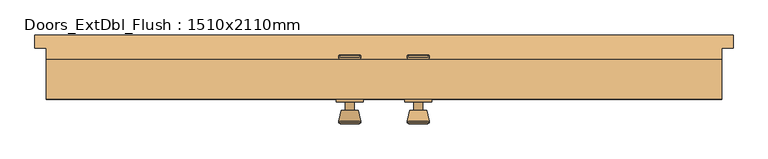
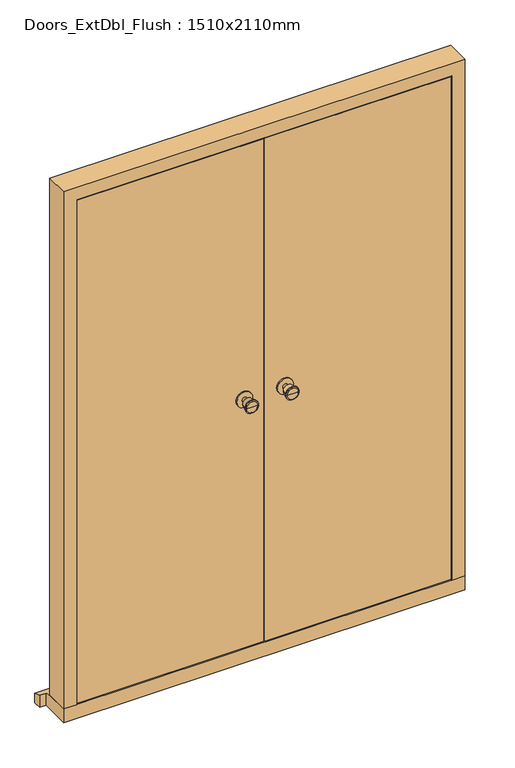
"""IFC4 building model written with IfcOpenShell, lengths in millimetres: door geometry, Doors_ExtDbl_Flush : 1510x2110mm."""

import ifcopenshell
import ifcopenshell.guid

model = None  # the IFC model being written
_history = None  # IfcOwnerHistory: only IFC2X3 demands one
_inside = {}  # id of a spatial element -> (the spatial element, [elements in it])
_under = {}  # id of a project, library or spatial element -> (it, [spatial elements below it])
_declared = {}  # id of a project -> (the project, [libraries it declares])
_typed = {}  # id of a type object -> (the type object, [elements of that type])
_made_of = {}  # id of a material, layer set ... -> (it, [elements and type objects made of it])


def new_model(schema):
    """Start an empty IFC model of exactly this schema.

    Asked for "IFC4X3", IfcOpenShell would pick the latest addendum, in which some entities
    have other attributes; the version numbers below select the first issue.
    IFC2X3 requires an IfcOwnerHistory on every rooted entity: one is made here for all.
    """
    global model, _history
    if schema == "IFC4X3":
        model = ifcopenshell.file(schema_version=(4, 3, 0, 0))
    else:
        model = ifcopenshell.file(schema=schema)
    _inside.clear()
    _under.clear()
    _declared.clear()
    _typed.clear()
    _made_of.clear()
    _history = None
    if model.schema == "IFC2X3":
        org = make("IfcOrganization", Name="unknown")
        user = make(
            "IfcPersonAndOrganization",
            ThePerson=make("IfcPerson", FamilyName="unknown"),
            TheOrganization=org,
        )
        app = make(
            "IfcApplication",
            ApplicationDeveloper=org,
            Version="unknown",
            ApplicationFullName="unknown",
            ApplicationIdentifier="unknown",
        )
        _history = make(
            "IfcOwnerHistory",
            OwningUser=user,
            OwningApplication=app,
            ChangeAction="ADDED",
            CreationDate=0,
        )
    return model


def make(cls, **values):
    """One entity of the class cls with the attributes given. An attribute that is None is left unset."""
    return model.create_entity(
        cls, **{name: value for name, value in values.items() if value is not None}
    )


def rooted(cls, **values):
    """An entity with a GlobalId (a new one), such as an element, a storey or a relation."""
    return make(cls, GlobalId=ifcopenshell.guid.new(), OwnerHistory=_history, **values)


def si_unit(unit_type, name, prefix=None):
    """IfcSIUnit, for example si_unit("LENGTHUNIT", "METRE", prefix="MILLI")."""
    return make("IfcSIUnit", UnitType=unit_type, Prefix=prefix, Name=name)


def assignment(units):
    """IfcUnitAssignment: the units of a project."""
    return None if units is None else make("IfcUnitAssignment", Units=units)


def point(xyz):
    """IfcCartesianPoint."""
    return None if xyz is None else make("IfcCartesianPoint", Coordinates=xyz)


def direction(xyz):
    """IfcDirection."""
    return None if xyz is None else make("IfcDirection", DirectionRatios=xyz)


def frame(location, z_axis=None, x_axis=None):
    """IfcAxis2Placement3D, a coordinate frame: its origin and axes. An axis left out is left unset."""
    return make(
        "IfcAxis2Placement3D",
        Location=point(location),
        Axis=direction(z_axis),
        RefDirection=direction(x_axis),
    )


def frame_2d(location, x_axis=None):
    """IfcAxis2Placement2D, a coordinate frame in the plane: its origin and x axis."""
    return make(
        "IfcAxis2Placement2D", Location=point(location), RefDirection=direction(x_axis)
    )


def origin():
    """The frame at (0, 0, 0) with its axes left unset."""
    return frame((0.0, 0.0, 0.0))


def place(relative_to, where):
    """IfcLocalPlacement: puts the frame where relative to a parent placement (None: the world)."""
    return make(
        "IfcLocalPlacement", PlacementRelTo=relative_to, RelativePlacement=where
    )


def context(
    kind, dimensions, precision=None, world=None, true_north=None, identifier=None
):
    """IfcGeometricRepresentationContext, for example the 3D "Model" context."""
    return make(
        "IfcGeometricRepresentationContext",
        ContextIdentifier=identifier,
        ContextType=kind,
        CoordinateSpaceDimension=dimensions,
        Precision=precision,
        WorldCoordinateSystem=world,
        TrueNorth=true_north,
    )


def project(units=None, contexts=None):
    """IfcProject with its units and contexts."""
    return rooted(
        "IfcProject",
        Name="project",
        RepresentationContexts=contexts,
        UnitsInContext=assignment(units),
    )


def spatial(cls, under=None, at=None, **own):
    """A site, building, storey or space (cls), placed at a placement, below another one or the project."""
    s = rooted(cls, ObjectPlacement=at, **own)
    if under is not None:
        _under.setdefault(under.id(), (under, []))[1].append(s)
    return s


def polyline(points):
    """IfcPolyline through the points."""
    return make("IfcPolyline", Points=[point(p) for p in points])


def circle_curve(where, radius):
    """IfcCircle in the frame where."""
    return make("IfcCircle", Position=where, Radius=radius)


def trimmed(basis, trim1, trim2, sense, master):
    """IfcTrimmedCurve: the piece of a basis curve between two trims."""
    return make(
        "IfcTrimmedCurve",
        BasisCurve=basis,
        Trim1=trim1,
        Trim2=trim2,
        SenseAgreement=sense,
        MasterRepresentation=master,
    )


def segment(curve, same_sense, transition):
    """IfcCompositeCurveSegment."""
    return make(
        "IfcCompositeCurveSegment",
        Transition=transition,
        SameSense=same_sense,
        ParentCurve=curve,
    )


def composite_curve(segments, self_intersect=None):
    """IfcCompositeCurve: segments joined end to end."""
    return make("IfcCompositeCurve", Segments=segments, SelfIntersect=self_intersect)


def outline(outer, holes=None, kind="AREA"):
    """IfcArbitraryClosedProfileDef: a profile drawn as a closed curve; with holes, ...WithVoids."""
    if holes is None:
        return make("IfcArbitraryClosedProfileDef", ProfileType=kind, OuterCurve=outer)
    return make(
        "IfcArbitraryProfileDefWithVoids",
        ProfileType=kind,
        OuterCurve=outer,
        InnerCurves=holes,
    )


def extrude(swept, where, along, depth):
    """IfcExtrudedAreaSolid: the profile swept, set in the frame where, extruded along a direction by depth."""
    return make(
        "IfcExtrudedAreaSolid",
        SweptArea=swept,
        Position=where,
        ExtrudedDirection=direction(along),
        Depth=depth,
    )


def faces_of(points, faces, orient=None, outer=None):
    """IfcFace entities. A face is a list of loops; a loop is a list of indices into points, from 0.

    orient and outer hold one flag for each loop. By default every Orientation is true, the
    first loop of a face is its IfcFaceOuterBound and the others are IfcFaceBound.
    """
    made = []
    for i, loops in enumerate(faces):
        bounds = []
        for j, loop in enumerate(loops):
            is_outer = j == 0 if outer is None else outer[i][j]
            bounds.append(
                make(
                    "IfcFaceOuterBound" if is_outer else "IfcFaceBound",
                    Bound=make("IfcPolyLoop", Polygon=[points[k] for k in loop]),
                    Orientation=True if orient is None else orient[i][j],
                )
            )
        made.append(make("IfcFace", Bounds=bounds))
    return made


def faceted_brep(points, faces, orient=None, outer=None, voids=None):
    """IfcFacetedBrep: a solid bounded by flat faces; with voids (closed shells), ...WithVoids."""
    shared = [point(p) for p in points]
    hull = make("IfcClosedShell", CfsFaces=faces_of(shared, faces, orient, outer))
    if voids is None:
        return make("IfcFacetedBrep", Outer=hull)
    return make(
        "IfcFacetedBrepWithVoids",
        Outer=hull,
        Voids=[
            make(cls, CfsFaces=faces_of(shared, fs, o, b)) for cls, fs, o, b in voids
        ],
    )


def shape(context_of_items, identifier, shape_type, items):
    """IfcShapeRepresentation: the items that make up one representation, for example the "Body"."""
    return make(
        "IfcShapeRepresentation",
        ContextOfItems=context_of_items,
        RepresentationIdentifier=identifier,
        RepresentationType=shape_type,
        Items=items,
    )


def source(mapping_origin, context_of_items, identifier, shape_type, items):
    """IfcRepresentationMap: a shape defined once, which mapped items show again and again."""
    return make(
        "IfcRepresentationMap",
        MappingOrigin=mapping_origin,
        MappedRepresentation=shape(context_of_items, identifier, shape_type, items),
    )


def transform(
    local_origin,
    x_axis=None,
    y_axis=None,
    z_axis=None,
    scale=None,
    scale2=None,
    scale3=None,
    uniform=True,
):
    """IfcCartesianTransformationOperator3D, or its non-uniform kind. x_axis, y_axis, z_axis: its Axis1, 2, 3."""
    if uniform:
        return make(
            "IfcCartesianTransformationOperator3D",
            Axis1=direction(x_axis),
            Axis2=direction(y_axis),
            LocalOrigin=point(local_origin),
            Scale=scale,
            Axis3=direction(z_axis),
        )
    return make(
        "IfcCartesianTransformationOperator3DnonUniform",
        Axis1=direction(x_axis),
        Axis2=direction(y_axis),
        LocalOrigin=point(local_origin),
        Scale=scale,
        Axis3=direction(z_axis),
        Scale2=scale2,
        Scale3=scale3,
    )


def mapped(mapping_source, mapping_target):
    """IfcMappedItem: shows the shape of a source again, moved by a transform."""
    return make(
        "IfcMappedItem", MappingSource=mapping_source, MappingTarget=mapping_target
    )


def made_of(thing, what):
    """Note that an element or type object is made of a material, layer set ...; save() writes the relation."""
    if what is not None:
        _made_of.setdefault(what.id(), (what, []))[1].append(thing)
    return thing


def element(
    cls,
    number,
    at=None,
    inside=None,
    cuts=None,
    type_object=None,
    material=None,
    context=None,
    identifier="Body",
    shape_type=None,
    held_by="IfcProductDefinitionShape",
    body=None,
    shapes=None,
    **own,
):
    """One element of the class cls, such as IfcWall. Its Tag is "e" and its number.

    at: its placement. inside: the storey or other place that contains it. cuts: it is an
    opening in that element (IfcRelVoidsElement). A single representation is given by context,
    identifier, shape_type and body (its items); several are given by shapes. held_by: the class
    of the entity that holds the representations. save() writes the other relations.
    """
    e = rooted(cls, Tag="e%d" % number, ObjectPlacement=at, **own)
    if body is not None:
        shapes = [shape(context, identifier, shape_type, body)]
    if shapes is not None:
        e.Representation = make(held_by, Representations=shapes)
    if inside is not None:
        _inside.setdefault(inside.id(), (inside, []))[1].append(e)
    if cuts is not None:
        rooted(
            "IfcRelVoidsElement", RelatingBuildingElement=cuts, RelatedOpeningElement=e
        )
    if type_object is not None:
        _typed.setdefault(type_object.id(), (type_object, []))[1].append(e)
    return made_of(e, material)


def aggregate(whole, parts):
    """IfcRelAggregates: a whole, such as a stair, and the parts it consists of."""
    return rooted("IfcRelAggregates", RelatingObject=whole, RelatedObjects=parts)


def save(model, path):
    """Write the relations noted so far, then the file.

    IfcRelAggregates (storeys below a building ...), IfcRelContainedInSpatialStructure (elements
    in a storey), IfcRelDefinesByType, IfcRelAssociatesMaterial and IfcRelDeclares: one each for
    every whole, place, type object, material and project.
    """
    for whole, parts in _under.values():
        aggregate(whole, parts)
    for where, things in _inside.values():
        rooted(
            "IfcRelContainedInSpatialStructure",
            RelatedElements=things,
            RelatingStructure=where,
        )
    for kind, things in _typed.values():
        rooted("IfcRelDefinesByType", RelatedObjects=things, RelatingType=kind)
    for what, things in _made_of.values():
        rooted("IfcRelAssociatesMaterial", RelatedObjects=things, RelatingMaterial=what)
    for by, libraries in _declared.values():
        rooted("IfcRelDeclares", RelatingContext=by, RelatedDefinitions=libraries)
    model.write(path)


def plane_surface(at):
    """IfcPlane: the flat surface through the origin of the frame at, square to its z axis."""
    return make("IfcPlane", Position=at)


def cylinder_surface(at, radius):
    """IfcCylindricalSurface: all points at the distance radius from the z axis of the frame at."""
    return make("IfcCylindricalSurface", Position=at, Radius=radius)


def revolved_surface(curve, axis_point, axis_direction):
    """IfcSurfaceOfRevolution: the curve turned about the line through axis_point along axis_direction."""
    return make(
        "IfcSurfaceOfRevolution",
        SweptCurve=make("IfcArbitraryOpenProfileDef", ProfileType="CURVE", Curve=curve),
        AxisPosition=make("IfcAxis1Placement", Location=point(axis_point), Axis=direction(axis_direction)),
    )


def advanced_brep(points, edges, surfaces, faces):
    """IfcAdvancedBrep: a solid bounded by faces that lie on surfaces and meet in shared edges.

    An edge is (start, end): straight between two places in points (the first is 0);
    or (start, end, curve); or (start, end, curve, False) where it runs against its curve.
    A face is (place in surfaces, loops), or (place, loops, False) where it looks against
    its surface's normal. A loop lists edges by number (the first is 1), with a minus sign
    where the edge is run from its end to its start. The first loop is the outer one.
    """
    corners = [point(p) for p in points]
    vertices = [make("IfcVertexPoint", VertexGeometry=c) for c in corners]
    made = []
    for start, end, *more in edges:
        made.append(
            make(
                "IfcEdgeCurve",
                EdgeStart=vertices[start],
                EdgeEnd=vertices[end],
                EdgeGeometry=more[0] if more else make("IfcPolyline", Points=[corners[start], corners[end]]),
                SameSense=more[1] if len(more) > 1 else True,
            )
        )
    hull = []
    for where, loops, *sense in faces:
        bounds = []
        for j, loop in enumerate(loops):
            ring = [make("IfcOrientedEdge", EdgeElement=made[abs(k) - 1], Orientation=k > 0) for k in loop]
            bounds.append(
                make(
                    "IfcFaceOuterBound" if j == 0 else "IfcFaceBound",
                    Bound=make("IfcEdgeLoop", EdgeList=ring),
                    Orientation=True,
                )
            )
        hull.append(make("IfcAdvancedFace", Bounds=bounds, FaceSurface=surfaces[where], SameSense=sense[0] if sense else True))
    return make("IfcAdvancedBrep", Outer=make("IfcClosedShell", CfsFaces=hull))


def doors_extdbl_flush_1510x2110mm_6ba5bb66(model_context):
    return source(origin(), model_context, "Body", "SolidModel", [
        advanced_brep(
        [(-76.5, -61.0, 1050.0), (-66.5, -61.0, 1050.0), (-86.5, -61.0, 1050.0), (-96.9758676, -110.0, 1050.0), (-56.0241324, -110.0, 1050.0), (-76.5, -110.0, 1050.0), (-101.5, -108.1721319, 1050.0), (-51.5, -108.1721319, 1050.0), (-101.5, -104.7084537, 1050.0), (-51.5, -104.7084537, 1050.0), (-95.136236, -80.0, 1050.0), (-57.863764, -80.0, 1050.0), (-86.5, -80.0, 1050.0), (-66.5, -80.0, 1050.0)],
        [
            (0, 1),
            (1, 2, circle_curve(frame((-76.5, -61.0, 1050.0), z_axis=(0.0, 1.0, 0.0), x_axis=(1.0, 0.0, 0.0)), 10.0)),
            (2, 0),
            (2, 1, circle_curve(frame((-76.5, -61.0, 1050.0), z_axis=(0.0, 1.0, 0.0), x_axis=(1.0, 0.0, 0.0)), 10.0)),
            (3, 4, circle_curve(frame((-76.5, -110.0, 1050.0), z_axis=(0.0, -1.0, 0.0), x_axis=(1.0, 0.0, 0.0)), 20.4758676)),
            (4, 5),
            (5, 3),
            (4, 3, circle_curve(frame((-76.5, -110.0, 1050.0), z_axis=(0.0, -1.0, 0.0), x_axis=(1.0, 0.0, 0.0)), 20.4758676)),
            (6, 7, circle_curve(frame((-76.5, -108.1721319, 1050.0), z_axis=(0.0, -1.0, 0.0), x_axis=(1.0, 0.0, 0.0)), 25.0)),
            (7, 4),
            (3, 6),
            (7, 6, circle_curve(frame((-76.5, -108.1721319, 1050.0), z_axis=(0.0, -1.0, 0.0), x_axis=(1.0, 0.0, 0.0)), 25.0)),
            (8, 9, circle_curve(frame((-76.5, -104.7084537, 1050.0), z_axis=(0.0, -1.0, 0.0), x_axis=(1.0, 0.0, 0.0)), 25.0)),
            (9, 7),
            (6, 8),
            (9, 8, circle_curve(frame((-76.5, -104.7084537, 1050.0), z_axis=(0.0, -1.0, 0.0), x_axis=(1.0, 0.0, 0.0)), 25.0)),
            (10, 11, circle_curve(frame((-76.5, -80.0, 1050.0), z_axis=(0.0, -1.0, 0.0), x_axis=(1.0, 0.0, 0.0)), 18.636236)),
            (11, 9),
            (8, 10),
            (11, 10, circle_curve(frame((-76.5, -80.0, 1050.0), z_axis=(0.0, -1.0, 0.0), x_axis=(1.0, 0.0, 0.0)), 18.636236)),
            (12, 13, circle_curve(frame((-76.5, -80.0, 1050.0), z_axis=(0.0, -1.0, 0.0), x_axis=(1.0, 0.0, 0.0)), 10.0)),
            (13, 11),
            (10, 12),
            (13, 12, circle_curve(frame((-76.5, -80.0, 1050.0), z_axis=(0.0, -1.0, 0.0), x_axis=(1.0, 0.0, 0.0)), 10.0)),
            (1, 13),
            (12, 2),
        ],
        [
            plane_surface(frame((-76.5, -61.0, 1050.0), z_axis=(0.0, 1.0, 0.0), x_axis=(1.0, 0.0, 0.0))),
            plane_surface(frame((-76.5, -110.0, 1050.0), z_axis=(0.0, -1.0, 0.0), x_axis=(1.0, 0.0, 0.0))),
            revolved_surface(polyline([(-56.0241324, -110.0, 1050.0), (-51.5, -108.1721319, 1050.0)]), (-76.5, -61.0, 1050.0), (0.0, 1.0, 0.0)),
            cylinder_surface(frame((-76.5, -61.0, 1050.0), z_axis=(0.0, 1.0, 0.0), x_axis=(1.0, 0.0, 0.0)), 25.0),
            revolved_surface(polyline([(-51.5, -104.7084537, 1050.0), (-57.863764, -80.0, 1050.0)]), (-76.5, -61.0, 1050.0), (0.0, 1.0, 0.0)),
            plane_surface(frame((-76.5, -80.0, 1050.0), z_axis=(0.0, 1.0, 0.0), x_axis=(1.0, 0.0, 0.0))),
            cylinder_surface(frame((-76.5, -61.0, 1050.0), z_axis=(0.0, 1.0, 0.0), x_axis=(1.0, 0.0, 0.0)), 10.0),
        ],
        [
            (0, [[1, 2, 3]]),
            (0, [[-3, 4, -1]]),
            (1, [[5, 6, 7]]),
            (1, [[8, -7, -6]]),
            (2, [[9, 10, -5, 11]]),
            (2, [[12, -11, -8, -10]]),
            (3, [[13, 14, -9, 15]]),
            (3, [[16, -15, -12, -14]]),
            (4, [[17, 18, -13, 19]]),
            (4, [[20, -19, -16, -18]]),
            (5, [[21, 22, -17, 23]]),
            (5, [[24, -23, -20, -22]]),
            (6, [[-2, 25, -21, 26]]),
            (6, [[-4, -26, -24, -25]]),
        ],
    ),
        extrude(outline(composite_curve([segment(trimmed(circle_curve(frame_2d((1050.0, -76.5)), 30.0), [point((1050.0, -46.5))], [point((1050.0, -106.5))], False, "CARTESIAN"), True, "CONTINUOUS"), segment(trimmed(circle_curve(frame_2d((1050.0, -76.5)), 30.0), [point((1050.0, -106.5))], [point((1050.0, -46.5))], False, "CARTESIAN"), True, "CONTINUOUS")], self_intersect=False)), frame((0.0, -61.0, 0.0), z_axis=(0.0, 1.0, 0.0), x_axis=(0.0, 0.0, 1.0)), (0.0, 0.0, 1.0), 6.0),
        advanced_brep(
        [(-76.5, -5.0, 1050.0), (-86.5, -5.0, 1050.0), (-66.5, -5.0, 1050.0), (-96.9758676, 44.0, 1050.0), (-76.5, 44.0, 1050.0), (-56.0241324, 44.0, 1050.0), (-101.5, 42.1721319, 1050.0), (-51.5, 42.1721319, 1050.0), (-101.5, 38.7084537, 1050.0), (-51.5, 38.7084537, 1050.0), (-95.136236, 14.0, 1050.0), (-57.863764, 14.0, 1050.0), (-86.5, 14.0, 1050.0), (-66.5, 14.0, 1050.0)],
        [
            (0, 1),
            (1, 2, circle_curve(frame((-76.5, -5.0, 1050.0), z_axis=(0.0, -1.0, 0.0), x_axis=(1.0, 0.0, 0.0)), 10.0)),
            (2, 0),
            (2, 1, circle_curve(frame((-76.5, -5.0, 1050.0), z_axis=(0.0, -1.0, 0.0), x_axis=(1.0, 0.0, 0.0)), 10.0)),
            (3, 4),
            (4, 5),
            (5, 3, circle_curve(frame((-76.5, 44.0, 1050.0), z_axis=(0.0, 1.0, 0.0), x_axis=(1.0, 0.0, 0.0)), 20.4758676)),
            (3, 5, circle_curve(frame((-76.5, 44.0, 1050.0), z_axis=(0.0, 1.0, 0.0), x_axis=(1.0, 0.0, 0.0)), 20.4758676)),
            (6, 3),
            (5, 7),
            (7, 6, circle_curve(frame((-76.5, 42.1721319, 1050.0), z_axis=(0.0, 1.0, 0.0), x_axis=(1.0, 0.0, 0.0)), 25.0)),
            (6, 7, circle_curve(frame((-76.5, 42.1721319, 1050.0), z_axis=(0.0, 1.0, 0.0), x_axis=(1.0, 0.0, 0.0)), 25.0)),
            (8, 6),
            (7, 9),
            (9, 8, circle_curve(frame((-76.5, 38.7084537, 1050.0), z_axis=(0.0, 1.0, 0.0), x_axis=(1.0, 0.0, 0.0)), 25.0)),
            (8, 9, circle_curve(frame((-76.5, 38.7084537, 1050.0), z_axis=(0.0, 1.0, 0.0), x_axis=(1.0, 0.0, 0.0)), 25.0)),
            (10, 8),
            (9, 11),
            (11, 10, circle_curve(frame((-76.5, 14.0, 1050.0), z_axis=(0.0, 1.0, 0.0), x_axis=(1.0, 0.0, 0.0)), 18.636236)),
            (10, 11, circle_curve(frame((-76.5, 14.0, 1050.0), z_axis=(0.0, 1.0, 0.0), x_axis=(1.0, 0.0, 0.0)), 18.636236)),
            (12, 10),
            (11, 13),
            (13, 12, circle_curve(frame((-76.5, 14.0, 1050.0), z_axis=(0.0, 1.0, 0.0), x_axis=(1.0, 0.0, 0.0)), 10.0)),
            (12, 13, circle_curve(frame((-76.5, 14.0, 1050.0), z_axis=(0.0, 1.0, 0.0), x_axis=(1.0, 0.0, 0.0)), 10.0)),
            (1, 12),
            (13, 2),
        ],
        [
            plane_surface(frame((-76.5, -5.0, 1050.0), z_axis=(0.0, -1.0, 0.0), x_axis=(1.0, 0.0, 0.0))),
            plane_surface(frame((-76.5, 44.0, 1050.0), z_axis=(0.0, 1.0, 0.0), x_axis=(1.0, 0.0, 0.0))),
            revolved_surface(polyline([(-56.0241324, 44.0, 1050.0), (-51.5, 42.1721319, 1050.0)]), (-76.5, -5.0, 1050.0), (0.0, -1.0, 0.0)),
            cylinder_surface(frame((-76.5, -5.0, 1050.0), z_axis=(0.0, -1.0, 0.0), x_axis=(1.0, 0.0, 0.0)), 25.0),
            revolved_surface(polyline([(-51.5, 38.7084537, 1050.0), (-57.863764, 14.0, 1050.0)]), (-76.5, -5.0, 1050.0), (0.0, -1.0, 0.0)),
            plane_surface(frame((-76.5, 14.0, 1050.0), z_axis=(0.0, -1.0, 0.0), x_axis=(1.0, 0.0, 0.0))),
            cylinder_surface(frame((-76.5, -5.0, 1050.0), z_axis=(0.0, -1.0, 0.0), x_axis=(1.0, 0.0, 0.0)), 10.0),
        ],
        [
            (0, [[1, 2, 3]]),
            (0, [[-3, 4, -1]]),
            (1, [[5, 6, 7]]),
            (1, [[-6, -5, 8]]),
            (2, [[9, -7, 10, 11]]),
            (2, [[-10, -8, -9, 12]]),
            (3, [[13, -11, 14, 15]]),
            (3, [[-14, -12, -13, 16]]),
            (4, [[17, -15, 18, 19]]),
            (4, [[-18, -16, -17, 20]]),
            (5, [[21, -19, 22, 23]]),
            (5, [[-22, -20, -21, 24]]),
            (6, [[25, -23, 26, -2]]),
            (6, [[-26, -24, -25, -4]]),
        ],
    ),
        extrude(outline(composite_curve([segment(trimmed(circle_curve(frame_2d((1050.0, -76.5)), 30.0), [point((1050.0, -46.5))], [point((1050.0, -106.5))], False, "CARTESIAN"), True, "CONTINUOUS"), segment(trimmed(circle_curve(frame_2d((1050.0, -76.5)), 30.0), [point((1050.0, -106.5))], [point((1050.0, -46.5))], False, "CARTESIAN"), True, "CONTINUOUS")], self_intersect=False)), frame((0.0, -11.0, 0.0), z_axis=(0.0, 1.0, 0.0), x_axis=(0.0, 0.0, 1.0)), (0.0, 0.0, 1.0), 6.0),
        advanced_brep(
        [(76.5, -61.0, 1050.0), (86.5, -61.0, 1050.0), (66.5, -61.0, 1050.0), (96.9758676, -110.0, 1050.0), (76.5, -110.0, 1050.0), (56.0241324, -110.0, 1050.0), (101.5, -108.1721319, 1050.0), (51.5, -108.1721319, 1050.0), (101.5, -104.7084537, 1050.0), (51.5, -104.7084537, 1050.0), (95.136236, -80.0, 1050.0), (57.863764, -80.0, 1050.0), (86.5, -80.0, 1050.0), (66.5, -80.0, 1050.0)],
        [
            (0, 1),
            (1, 2, circle_curve(frame((76.5, -61.0, 1050.0), z_axis=(0.0, 1.0, 0.0), x_axis=(-1.0, 0.0, 0.0)), 10.0)),
            (2, 0),
            (2, 1, circle_curve(frame((76.5, -61.0, 1050.0), z_axis=(0.0, 1.0, 0.0), x_axis=(-1.0, 0.0, 0.0)), 10.0)),
            (3, 4),
            (4, 5),
            (5, 3, circle_curve(frame((76.5, -110.0, 1050.0), z_axis=(0.0, -1.0, 0.0), x_axis=(-1.0, 0.0, 0.0)), 20.4758676)),
            (3, 5, circle_curve(frame((76.5, -110.0, 1050.0), z_axis=(0.0, -1.0, 0.0), x_axis=(-1.0, 0.0, 0.0)), 20.4758676)),
            (6, 3),
            (5, 7),
            (7, 6, circle_curve(frame((76.5, -108.1721319, 1050.0), z_axis=(0.0, -1.0, 0.0), x_axis=(-1.0, 0.0, 0.0)), 25.0)),
            (6, 7, circle_curve(frame((76.5, -108.1721319, 1050.0), z_axis=(0.0, -1.0, 0.0), x_axis=(-1.0, 0.0, 0.0)), 25.0)),
            (8, 6),
            (7, 9),
            (9, 8, circle_curve(frame((76.5, -104.7084537, 1050.0), z_axis=(0.0, -1.0, 0.0), x_axis=(-1.0, 0.0, 0.0)), 25.0)),
            (8, 9, circle_curve(frame((76.5, -104.7084537, 1050.0), z_axis=(0.0, -1.0, 0.0), x_axis=(-1.0, 0.0, 0.0)), 25.0)),
            (10, 8),
            (9, 11),
            (11, 10, circle_curve(frame((76.5, -80.0, 1050.0), z_axis=(0.0, -1.0, 0.0), x_axis=(-1.0, 0.0, 0.0)), 18.636236)),
            (10, 11, circle_curve(frame((76.5, -80.0, 1050.0), z_axis=(0.0, -1.0, 0.0), x_axis=(-1.0, 0.0, 0.0)), 18.636236)),
            (12, 10),
            (11, 13),
            (13, 12, circle_curve(frame((76.5, -80.0, 1050.0), z_axis=(0.0, -1.0, 0.0), x_axis=(-1.0, 0.0, 0.0)), 10.0)),
            (12, 13, circle_curve(frame((76.5, -80.0, 1050.0), z_axis=(0.0, -1.0, 0.0), x_axis=(-1.0, 0.0, 0.0)), 10.0)),
            (1, 12),
            (13, 2),
        ],
        [
            plane_surface(frame((76.5, -61.0, 1050.0), z_axis=(0.0, 1.0, 0.0), x_axis=(-1.0, 0.0, 0.0))),
            plane_surface(frame((76.5, -110.0, 1050.0), z_axis=(0.0, -1.0, 0.0), x_axis=(-1.0, 0.0, 0.0))),
            revolved_surface(polyline([(56.0241324, -110.0, 1050.0), (51.5, -108.1721319, 1050.0)]), (76.5, -61.0, 1050.0), (0.0, 1.0, 0.0)),
            cylinder_surface(frame((76.5, -61.0, 1050.0), z_axis=(0.0, 1.0, 0.0), x_axis=(-1.0, 0.0, 0.0)), 25.0),
            revolved_surface(polyline([(51.5, -104.7084537, 1050.0), (57.863764, -80.0, 1050.0)]), (76.5, -61.0, 1050.0), (0.0, 1.0, 0.0)),
            plane_surface(frame((76.5, -80.0, 1050.0), z_axis=(0.0, 1.0, 0.0), x_axis=(-1.0, 0.0, 0.0))),
            cylinder_surface(frame((76.5, -61.0, 1050.0), z_axis=(0.0, 1.0, 0.0), x_axis=(-1.0, 0.0, 0.0)), 10.0),
        ],
        [
            (0, [[1, 2, 3]]),
            (0, [[-3, 4, -1]]),
            (1, [[5, 6, 7]]),
            (1, [[-6, -5, 8]]),
            (2, [[9, -7, 10, 11]]),
            (2, [[-10, -8, -9, 12]]),
            (3, [[13, -11, 14, 15]]),
            (3, [[-14, -12, -13, 16]]),
            (4, [[17, -15, 18, 19]]),
            (4, [[-18, -16, -17, 20]]),
            (5, [[21, -19, 22, 23]]),
            (5, [[-22, -20, -21, 24]]),
            (6, [[25, -23, 26, -2]]),
            (6, [[-26, -24, -25, -4]]),
        ],
    ),
        extrude(outline(composite_curve([segment(trimmed(circle_curve(frame_2d((1050.0, 76.5)), 30.0), [point((1050.0, 46.5))], [point((1050.0, 106.5))], False, "CARTESIAN"), True, "CONTINUOUS"), segment(trimmed(circle_curve(frame_2d((1050.0, 76.5)), 30.0), [point((1050.0, 106.5))], [point((1050.0, 46.5))], False, "CARTESIAN"), True, "CONTINUOUS")], self_intersect=False)), frame((0.0, -61.0, 0.0), z_axis=(0.0, 1.0, 0.0), x_axis=(0.0, 0.0, 1.0)), (0.0, 0.0, 1.0), 6.0),
        advanced_brep(
        [(76.5, -5.0, 1050.0), (66.5, -5.0, 1050.0), (86.5, -5.0, 1050.0), (96.9758676, 44.0, 1050.0), (56.0241324, 44.0, 1050.0), (76.5, 44.0, 1050.0), (101.5, 42.1721319, 1050.0), (51.5, 42.1721319, 1050.0), (101.5, 38.7084537, 1050.0), (51.5, 38.7084537, 1050.0), (95.136236, 14.0, 1050.0), (57.863764, 14.0, 1050.0), (86.5, 14.0, 1050.0), (66.5, 14.0, 1050.0)],
        [
            (0, 1),
            (1, 2, circle_curve(frame((76.5, -5.0, 1050.0), z_axis=(0.0, -1.0, 0.0), x_axis=(-1.0, 0.0, 0.0)), 10.0)),
            (2, 0),
            (2, 1, circle_curve(frame((76.5, -5.0, 1050.0), z_axis=(0.0, -1.0, 0.0), x_axis=(-1.0, 0.0, 0.0)), 10.0)),
            (3, 4, circle_curve(frame((76.5, 44.0, 1050.0), z_axis=(0.0, 1.0, 0.0), x_axis=(-1.0, 0.0, 0.0)), 20.4758676)),
            (4, 5),
            (5, 3),
            (4, 3, circle_curve(frame((76.5, 44.0, 1050.0), z_axis=(0.0, 1.0, 0.0), x_axis=(-1.0, 0.0, 0.0)), 20.4758676)),
            (6, 7, circle_curve(frame((76.5, 42.1721319, 1050.0), z_axis=(0.0, 1.0, 0.0), x_axis=(-1.0, 0.0, 0.0)), 25.0)),
            (7, 4),
            (3, 6),
            (7, 6, circle_curve(frame((76.5, 42.1721319, 1050.0), z_axis=(0.0, 1.0, 0.0), x_axis=(-1.0, 0.0, 0.0)), 25.0)),
            (8, 9, circle_curve(frame((76.5, 38.7084537, 1050.0), z_axis=(0.0, 1.0, 0.0), x_axis=(-1.0, 0.0, 0.0)), 25.0)),
            (9, 7),
            (6, 8),
            (9, 8, circle_curve(frame((76.5, 38.7084537, 1050.0), z_axis=(0.0, 1.0, 0.0), x_axis=(-1.0, 0.0, 0.0)), 25.0)),
            (10, 11, circle_curve(frame((76.5, 14.0, 1050.0), z_axis=(0.0, 1.0, 0.0), x_axis=(-1.0, 0.0, 0.0)), 18.636236)),
            (11, 9),
            (8, 10),
            (11, 10, circle_curve(frame((76.5, 14.0, 1050.0), z_axis=(0.0, 1.0, 0.0), x_axis=(-1.0, 0.0, 0.0)), 18.636236)),
            (12, 13, circle_curve(frame((76.5, 14.0, 1050.0), z_axis=(0.0, 1.0, 0.0), x_axis=(-1.0, 0.0, 0.0)), 10.0)),
            (13, 11),
            (10, 12),
            (13, 12, circle_curve(frame((76.5, 14.0, 1050.0), z_axis=(0.0, 1.0, 0.0), x_axis=(-1.0, 0.0, 0.0)), 10.0)),
            (1, 13),
            (12, 2),
        ],
        [
            plane_surface(frame((76.5, -5.0, 1050.0), z_axis=(0.0, -1.0, 0.0), x_axis=(-1.0, 0.0, 0.0))),
            plane_surface(frame((76.5, 44.0, 1050.0), z_axis=(0.0, 1.0, 0.0), x_axis=(-1.0, 0.0, 0.0))),
            revolved_surface(polyline([(56.0241324, 44.0, 1050.0), (51.5, 42.1721319, 1050.0)]), (76.5, -5.0, 1050.0), (0.0, -1.0, 0.0)),
            cylinder_surface(frame((76.5, -5.0, 1050.0), z_axis=(0.0, -1.0, 0.0), x_axis=(-1.0, 0.0, 0.0)), 25.0),
            revolved_surface(polyline([(51.5, 38.7084537, 1050.0), (57.863764, 14.0, 1050.0)]), (76.5, -5.0, 1050.0), (0.0, -1.0, 0.0)),
            plane_surface(frame((76.5, 14.0, 1050.0), z_axis=(0.0, -1.0, 0.0), x_axis=(-1.0, 0.0, 0.0))),
            cylinder_surface(frame((76.5, -5.0, 1050.0), z_axis=(0.0, -1.0, 0.0), x_axis=(-1.0, 0.0, 0.0)), 10.0),
        ],
        [
            (0, [[1, 2, 3]]),
            (0, [[-3, 4, -1]]),
            (1, [[5, 6, 7]]),
            (1, [[8, -7, -6]]),
            (2, [[9, 10, -5, 11]]),
            (2, [[12, -11, -8, -10]]),
            (3, [[13, 14, -9, 15]]),
            (3, [[16, -15, -12, -14]]),
            (4, [[17, 18, -13, 19]]),
            (4, [[20, -19, -16, -18]]),
            (5, [[21, 22, -17, 23]]),
            (5, [[24, -23, -20, -22]]),
            (6, [[-2, 25, -21, 26]]),
            (6, [[-4, -26, -24, -25]]),
        ],
    ),
        extrude(outline(composite_curve([segment(trimmed(circle_curve(frame_2d((1050.0, 76.5)), 30.0), [point((1050.0, 46.5))], [point((1050.0, 106.5))], False, "CARTESIAN"), True, "CONTINUOUS"), segment(trimmed(circle_curve(frame_2d((1050.0, 76.5)), 30.0), [point((1050.0, 106.5))], [point((1050.0, 46.5))], False, "CARTESIAN"), True, "CONTINUOUS")], self_intersect=False)), frame((0.0, -11.0, 0.0), z_axis=(0.0, 1.0, 0.0), x_axis=(0.0, 0.0, 1.0)), (0.0, 0.0, 1.0), 6.0),
        faceted_brep([(684.5, 34.0, 54.5), (755.0, 34.0, 54.5), (755.0, -55.0, 54.5), (706.5, -55.0, 54.5), (706.5, -8.0, 54.5), (684.5, -8.0, 54.5), (684.5, 34.0, 2039.5), (-684.5, 34.0, 2039.5), (-684.5, 34.0, 54.5), (-755.0, 34.0, 54.5), (-755.0, 34.0, 2110.0), (755.0, 34.0, 2110.0), (755.0, -55.0, 2110.0), (-755.0, -55.0, 2110.0), (-755.0, -55.0, 54.5), (-706.5, -55.0, 54.5), (-706.5, -55.0, 2061.5), (706.5, -55.0, 2061.5), (706.5, -8.0, 2061.5), (-706.5, -8.0, 2061.5), (-706.5, -8.0, 54.5), (-684.5, -8.0, 54.5), (-684.5, -8.0, 2039.5), (684.5, -8.0, 2039.5)], [[[0, 1, 2, 3, 4, 5]], [[1, 0, 6, 7, 8, 9, 10, 11]], [[2, 1, 11, 12]], [[3, 2, 12, 13, 14, 15, 16, 17]], [[4, 3, 17, 18]], [[5, 4, 18, 19, 20, 21, 22, 23]], [[0, 5, 23, 6]], [[12, 11, 10, 13]], [[18, 17, 16, 19]], [[6, 23, 22, 7]], [[8, 21, 20, 15, 14, 9]], [[13, 10, 9, 14]], [[19, 16, 15, 20]], [[7, 22, 21, 8]]]),
        faceted_brep([(780.0, 89.0, 0.0), (780.0, 89.0, 38.5947221), (780.0, 59.0, 47.2703282), (780.0, 59.0, 0.0), (-780.0, 89.0, 38.5947221), (-780.0, 89.0, 0.0), (-780.0, 59.0, 0.0), (-780.0, 59.0, 47.2703282), (755.0, 59.0, 0.0), (755.0, -55.0, 0.0), (-755.0, -55.0, 0.0), (-755.0, 59.0, 0.0), (-755.0, 59.0, 47.2703282), (-755.0, 34.0, 54.5), (755.0, 34.0, 54.5), (755.0, 59.0, 47.2703282), (-755.0, -55.0, 54.5), (755.0, -55.0, 54.5)], [[[0, 1, 2, 3]], [[4, 5, 6, 7]], [[5, 0, 3, 8, 9, 10, 11, 6]], [[1, 0, 5, 4]], [[1, 4, 7, 12, 13, 14, 15, 2]], [[13, 16, 17, 14]], [[16, 10, 9, 17]], [[12, 11, 10, 16, 13]], [[11, 12, 7, 6]], [[8, 15, 14, 17, 9]], [[15, 8, 3, 2]]]),
        extrude(outline(polyline([(703.5, -55.0), (1.5, -55.0), (1.5, -11.0), (703.5, -11.0), (703.5, -55.0)])), frame((0.0, 0.0, 58.5), z_axis=(0.0, 0.0, 1.0), x_axis=(1.0, 0.0, 0.0)), (0.0, 0.0, 1.0), 2000.0),
        extrude(outline(polyline([(-1.5, -55.0), (-703.5, -55.0), (-703.5, -11.0), (-1.5, -11.0), (-1.5, -55.0)])), frame((0.0, 0.0, 58.5), z_axis=(0.0, 0.0, 1.0), x_axis=(1.0, 0.0, 0.0)), (0.0, 0.0, 1.0), 2000.0),
    ])


if __name__ == "__main__":
    model = new_model("IFC4")
    model_context = context("Model", 3, world=origin())
    ifc_project = project(units=[si_unit("LENGTHUNIT", "METRE", prefix="MILLI")], contexts=[model_context])
    site = spatial("IfcSite", under=ifc_project)
    building = spatial("IfcBuilding", under=site)
    placement = place(None, origin())
    doors_extdbl_flush_1510x2110mm_shape = doors_extdbl_flush_1510x2110mm_6ba5bb66(model_context)
    element("IfcDoor", 1, ObjectType="Doors_ExtDbl_Flush : 1510x2110mm", at=placement, inside=building, context=model_context, shape_type="MappedRepresentation", body=[
        mapped(doors_extdbl_flush_1510x2110mm_shape, transform((0.0, 0.0, 0.0), x_axis=(1.0, 0.0, 0.0), y_axis=(0.0, 1.0, 0.0), z_axis=(0.0, 0.0, 1.0))),
    ])
    save(model, "model.ifc")
